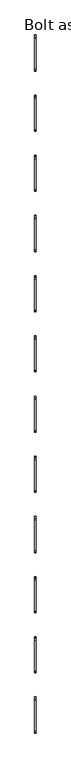
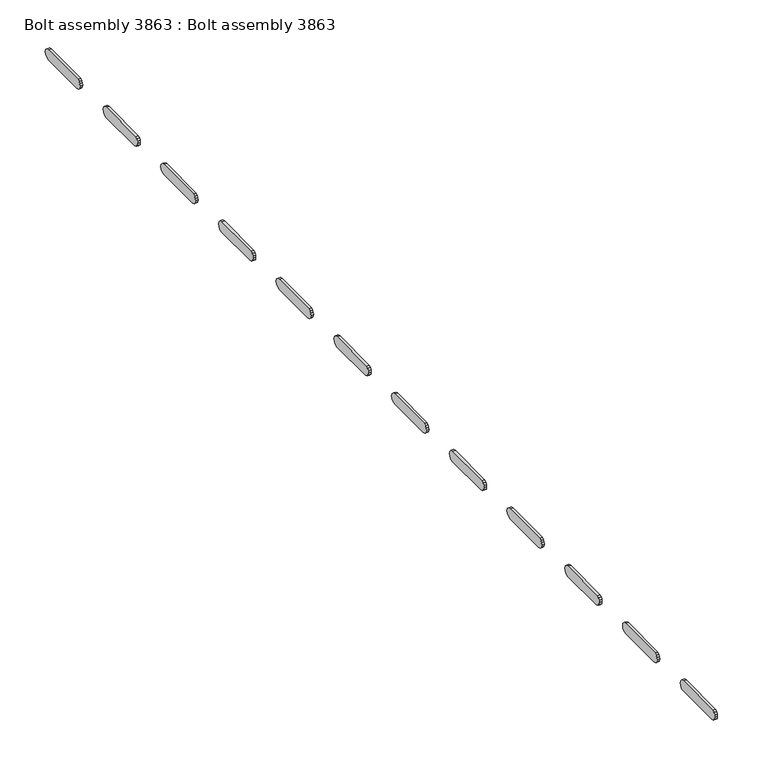
"""IFC4 building model written with IfcOpenShell, lengths in millimetres: proxy geometry, Bolt assembly 3863 : Bolt assembly 3863."""

from ifc_helpers import new_model, si_unit, frame, origin, place, context, project, spatial, polyline, outline, extrude, source, transform, mapped, element, save


def bolt_assembly_3863_bolt_assembly_3863_b6cb85fc(model_context):
    return source(origin(), model_context, "Body", "SweptSolid", [
        extrude(outline(polyline([(229.1438808, -70.2907284), (230.6927221, -67.9727236), (233.010727, -66.4238823), (297.6549999, -65.8800015), (301.2274999, -66.83725), (303.8427514, -69.4525015), (304.7999999, -73.0250015), (303.8427514, -76.5975015), (301.2274999, -79.212753), (297.6549999, -80.1700015), (235.7450001, -80.1700015), (232.1725001, -79.212753), (229.5572486, -76.5975015), (228.6000001, -73.0250015), (229.1438808, -70.2907284)])), frame((-7.9375008, 0.0, 0.0), z_axis=(1.0, 0.0, 0.0), x_axis=(0.0, 1.0, 0.0)), (0.0, 0.0, 1.0), 3.275),
        extrude(outline(polyline([(356.1438808, -70.2907284), (357.6927221, -67.9727236), (360.010727, -66.4238823), (424.6549999, -65.8800015), (428.2274999, -66.83725), (430.8427514, -69.4525015), (431.7999999, -73.0250015), (430.8427514, -76.5975015), (428.2274999, -79.212753), (424.6549999, -80.1700015), (362.7450001, -80.1700015), (359.1725001, -79.212753), (356.5572486, -76.5975015), (355.6000001, -73.0250015), (356.1438808, -70.2907284)])), frame((-7.9375008, 0.0, 0.0), z_axis=(1.0, 0.0, 0.0), x_axis=(0.0, 1.0, 0.0)), (0.0, 0.0, 1.0), 3.275),
        extrude(outline(polyline([(483.1438808, -70.2907284), (484.6927221, -67.9727236), (487.010727, -66.4238823), (551.6549999, -65.8800015), (555.2274999, -66.83725), (557.8427514, -69.4525015), (558.7999999, -73.0250015), (557.8427514, -76.5975015), (555.2274999, -79.212753), (551.6549999, -80.1700015), (489.7450001, -80.1700015), (486.1725001, -79.212753), (483.5572486, -76.5975015), (482.6000001, -73.0250015), (483.1438808, -70.2907284)])), frame((-7.9375008, 0.0, 0.0), z_axis=(1.0, 0.0, 0.0), x_axis=(0.0, 1.0, 0.0)), (0.0, 0.0, 1.0), 3.275),
        extrude(outline(polyline([(610.1438808, -70.2907284), (611.6927221, -67.9727236), (614.010727, -66.4238823), (678.6549999, -65.8800015), (682.2274999, -66.83725), (684.8427514, -69.4525015), (685.7999999, -73.0250015), (684.8427514, -76.5975015), (682.2274999, -79.212753), (678.6549999, -80.1700015), (616.7450001, -80.1700015), (613.1725001, -79.212753), (610.5572486, -76.5975015), (609.6000001, -73.0250015), (610.1438808, -70.2907284)])), frame((-7.9375008, 0.0, 0.0), z_axis=(1.0, 0.0, 0.0), x_axis=(0.0, 1.0, 0.0)), (0.0, 0.0, 1.0), 3.275),
        extrude(outline(polyline([(737.1438808, -70.2907284), (738.6927221, -67.9727236), (741.010727, -66.4238823), (805.6549999, -65.8800015), (809.2274999, -66.83725), (811.8427514, -69.4525015), (812.7999999, -73.0250015), (811.8427514, -76.5975015), (809.2274999, -79.212753), (805.6549999, -80.1700015), (743.7450001, -80.1700015), (740.1725001, -79.212753), (737.5572486, -76.5975015), (736.6000001, -73.0250015), (737.1438808, -70.2907284)])), frame((-7.9375008, 0.0, 0.0), z_axis=(1.0, 0.0, 0.0), x_axis=(0.0, 1.0, 0.0)), (0.0, 0.0, 1.0), 3.275),
        extrude(outline(polyline([(864.1438808, -70.2907284), (865.6927221, -67.9727236), (868.010727, -66.4238823), (932.6549999, -65.8800015), (936.2274999, -66.83725), (938.8427514, -69.4525015), (939.7999999, -73.0250015), (938.8427514, -76.5975015), (936.2274999, -79.212753), (932.6549999, -80.1700015), (870.7450001, -80.1700015), (867.1725001, -79.212753), (864.5572486, -76.5975015), (863.6000001, -73.0250015), (864.1438808, -70.2907284)])), frame((-7.9375008, 0.0, 0.0), z_axis=(1.0, 0.0, 0.0), x_axis=(0.0, 1.0, 0.0)), (0.0, 0.0, 1.0), 3.275),
        extrude(outline(polyline([(991.1438808, -70.2907284), (992.6927221, -67.9727236), (995.010727, -66.4238823), (1059.6549999, -65.8800015), (1063.2274999, -66.83725), (1065.8427514, -69.4525015), (1066.7999999, -73.0250015), (1065.8427514, -76.5975015), (1063.2274999, -79.212753), (1059.6549999, -80.1700015), (997.7450001, -80.1700015), (994.1725001, -79.212753), (991.5572486, -76.5975015), (990.6000001, -73.0250015), (991.1438808, -70.2907284)])), frame((-7.9375008, 0.0, 0.0), z_axis=(1.0, 0.0, 0.0), x_axis=(0.0, 1.0, 0.0)), (0.0, 0.0, 1.0), 3.275),
        extrude(outline(polyline([(1118.1438808, -70.2907284), (1119.6927221, -67.9727236), (1122.010727, -66.4238823), (1186.6549999, -65.8800015), (1190.2274999, -66.83725), (1192.8427514, -69.4525015), (1193.7999999, -73.0250015), (1192.8427514, -76.5975015), (1190.2274999, -79.212753), (1186.6549999, -80.1700015), (1124.7450001, -80.1700015), (1121.1725001, -79.212753), (1118.5572486, -76.5975015), (1117.6000001, -73.0250015), (1118.1438808, -70.2907284)])), frame((-7.9375008, 0.0, 0.0), z_axis=(1.0, 0.0, 0.0), x_axis=(0.0, 1.0, 0.0)), (0.0, 0.0, 1.0), 3.275),
        extrude(outline(polyline([(1245.1438808, -70.2907284), (1246.6927221, -67.9727236), (1249.010727, -66.4238823), (1313.6549999, -65.8800015), (1317.2274999, -66.83725), (1319.8427514, -69.4525015), (1320.7999999, -73.0250015), (1319.8427514, -76.5975015), (1317.2274999, -79.212753), (1313.6549999, -80.1700015), (1251.7450001, -80.1700015), (1248.1725001, -79.212753), (1245.5572486, -76.5975015), (1244.6000001, -73.0250015), (1245.1438808, -70.2907284)])), frame((-7.9375008, 0.0, 0.0), z_axis=(1.0, 0.0, 0.0), x_axis=(0.0, 1.0, 0.0)), (0.0, 0.0, 1.0), 3.275),
        extrude(outline(polyline([(1372.1438808, -70.2907284), (1373.6927221, -67.9727236), (1376.010727, -66.4238823), (1440.6549999, -65.8800015), (1444.2274999, -66.83725), (1446.8427514, -69.4525015), (1447.7999999, -73.0250015), (1446.8427514, -76.5975015), (1444.2274999, -79.212753), (1440.6549999, -80.1700015), (1378.7450001, -80.1700015), (1375.1725001, -79.212753), (1372.5572486, -76.5975015), (1371.6000001, -73.0250015), (1372.1438808, -70.2907284)])), frame((-7.9375008, 0.0, 0.0), z_axis=(1.0, 0.0, 0.0), x_axis=(0.0, 1.0, 0.0)), (0.0, 0.0, 1.0), 3.275),
        extrude(outline(polyline([(1499.1438808, -70.2907284), (1500.6927221, -67.9727236), (1503.010727, -66.4238823), (1567.6549999, -65.8800015), (1571.2274999, -66.83725), (1573.8427514, -69.4525015), (1574.7999999, -73.0250015), (1573.8427514, -76.5975015), (1571.2274999, -79.212753), (1567.6549999, -80.1700015), (1505.7450001, -80.1700015), (1502.1725001, -79.212753), (1499.5572486, -76.5975015), (1498.6000001, -73.0250015), (1499.1438808, -70.2907284)])), frame((-7.9375008, 0.0, 0.0), z_axis=(1.0, 0.0, 0.0), x_axis=(0.0, 1.0, 0.0)), (0.0, 0.0, 1.0), 3.275),
        extrude(outline(polyline([(1626.1438808, -70.2907284), (1627.6927221, -67.9727236), (1630.010727, -66.4238823), (1694.6549999, -65.8800015), (1698.2274999, -66.83725), (1700.8427514, -69.4525015), (1701.7999999, -73.0250015), (1700.8427514, -76.5975015), (1698.2274999, -79.212753), (1694.6549999, -80.1700015), (1632.7450001, -80.1700015), (1629.1725001, -79.212753), (1626.5572486, -76.5975015), (1625.6000001, -73.0250015), (1626.1438808, -70.2907284)])), frame((-7.9375008, 0.0, 0.0), z_axis=(1.0, 0.0, 0.0), x_axis=(0.0, 1.0, 0.0)), (0.0, 0.0, 1.0), 3.275),
    ])


if __name__ == "__main__":
    model = new_model("IFC4")
    model_context = context("Model", 3, world=origin())
    ifc_project = project(units=[si_unit("LENGTHUNIT", "METRE", prefix="MILLI")], contexts=[model_context])
    site = spatial("IfcSite", under=ifc_project)
    building = spatial("IfcBuilding", under=site)
    placement = place(None, origin())
    bolt_assembly_3863_bolt_assembly_3863_shape = bolt_assembly_3863_bolt_assembly_3863_b6cb85fc(model_context)
    element("IfcBuildingElementProxy", 1, Name="Bolt assembly 3863 : Bolt assembly 3863", ObjectType="Bolt assembly 3863 : Bolt assembly 3863", at=placement, inside=building, context=model_context, shape_type="MappedRepresentation", body=[
        mapped(bolt_assembly_3863_bolt_assembly_3863_shape, transform((0.0, 0.0, 0.0), x_axis=(1.0, 0.0, 0.0), y_axis=(0.0, 1.0, 0.0), z_axis=(0.0, 0.0, 1.0))),
    ])
    save(model, "model.ifc")
